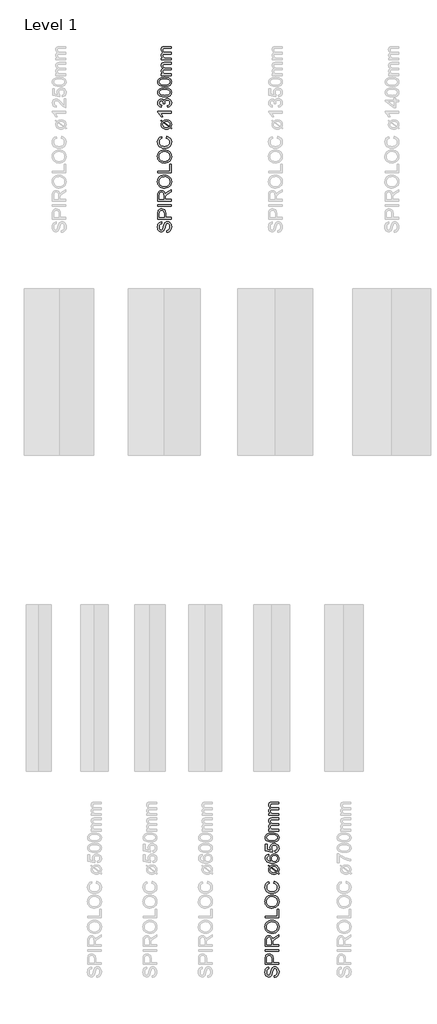
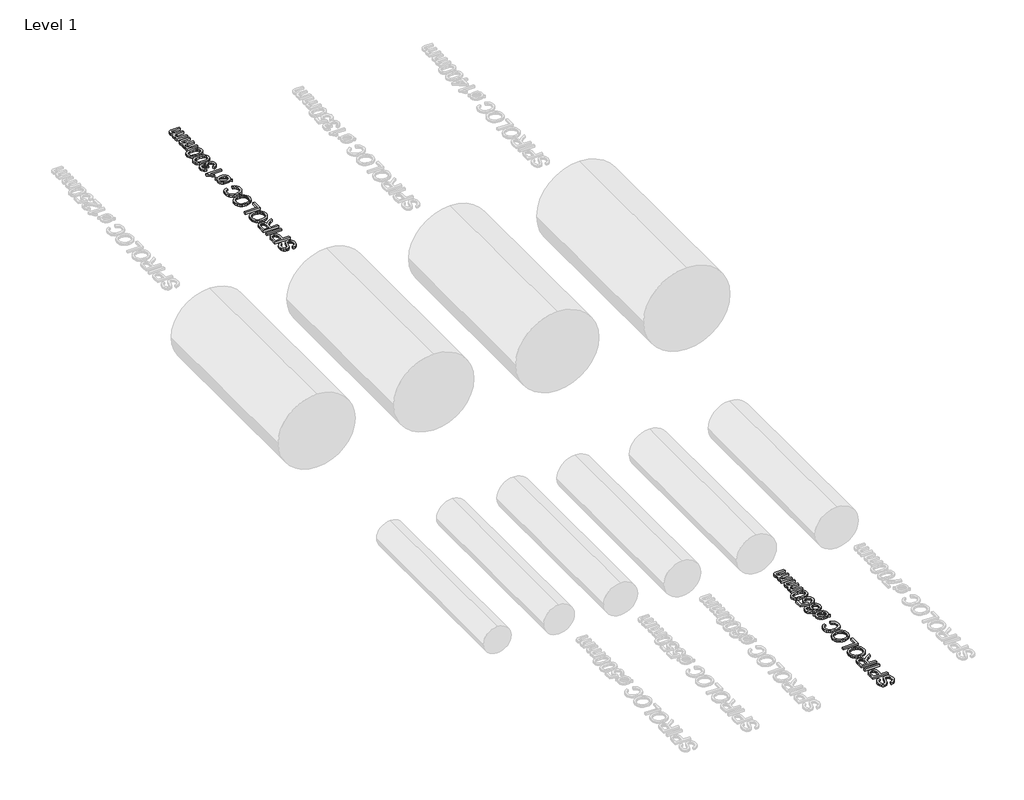
# One storey, part 16 of 19: 2 proxies.
"""IFC4 building model written with IfcOpenShell, lengths in millimetres."""

from ifc_helpers import new_model, si_unit, origin, origin_with_axes, place, context, project, spatial, polyline, outline, extrude, element, save

model = new_model("IFC4")

# Units and contexts
model_context = context("Model", 3, world=origin())
ifc_project = project(units=[si_unit("LENGTHUNIT", "METRE", prefix="MILLI")], contexts=[model_context])

# Site, building, storey
site = spatial("IfcSite", under=ifc_project)
building = spatial("IfcBuilding", under=site)
storey = spatial("IfcBuildingStorey", under=building, Name="Level 1", Elevation=0.0)

# Proxies
placement = place(None, origin())
element("IfcBuildingElementProxy", 1, Name="250mm", ObjectType="250mm", at=placement, inside=storey, context=model_context, shape_type="SweptSolid", body=[
    extrude(outline(polyline([(16525.8043383, -1501.7841772), (16525.8043383, -1471.0149464), (16542.8791581, -1467.4842974), (16556.6036172, -1461.099081), (16567.4960451, -1451.1381435), (16576.074771, -1436.880331), (16581.6411773, -1419.4524464), (16583.496646, -1399.9812926), (16577.8776557, -1367.8298502), (16571.2069826, -1355.6678911), (16562.4329441, -1347.0666291), (16552.3593263, -1341.950944), (16541.7899153, -1340.2457156), (16522.5891941, -1345.3538887), (16514.9945427, -1353.1363406), (16508.6168383, -1366.2673502), (16496.8680403, -1411.0690329), (16481.6937614, -1459.2961964), (16471.3421989, -1474.6132036), (16458.7971268, -1485.4680714), (16444.3289778, -1491.93592), (16428.2081845, -1494.0918695), (16410.1868504, -1491.4251026), (16393.3824633, -1483.4248022), (16379.1396749, -1470.3013046), (16368.8031364, -1452.2649464), (16362.5155763, -1430.615307), (16360.419723, -1406.6519656), (16362.6132326, -1380.6904272), (16369.1937614, -1357.974081), (16380.0260932, -1339.3142252), (16394.9750114, -1325.5221579), (16413.1090258, -1316.7931916), (16433.496646, -1313.3226387), (16433.496646, -1344.0918695), (16415.137271, -1349.7409079), (16401.8860691, -1361.5197541), (16393.8632326, -1379.9242012), (16391.1889537, -1405.4500426), (16393.8331845, -1431.5768454), (16401.7658768, -1449.5005233), (16413.4395547, -1459.8671099), (16427.3067422, -1463.3226387), (16439.1306605, -1460.8737204), (16448.6408768, -1453.5269656), (16457.1444826, -1436.1591772), (16465.8283768, -1403.286581), (16481.2730883, -1348.8394656), (16492.4359489, -1331.2989007), (16506.2129922, -1319.0618214), (16522.4539778, -1311.872819), (16541.0086653, -1309.4764849), (16559.9765138, -1312.2333959), (16577.8175595, -1320.5041291), (16593.1721268, -1333.9506435), (16604.6805403, -1352.2348983), (16611.8695427, -1374.2225786), (16614.2658768, -1398.7793695), (16611.6817422, -1428.9251026), (16603.9293383, -1453.7373022), (16590.9786172, -1473.5014248), (16572.7995307, -1488.5029272), (16550.654098, -1498.1333358), (16525.8043383, -1501.7841772)])), origin_with_axes(), (0.0, 0.0, 1.0), 30.0),
    extrude(outline(polyline([(16610.419723, -1263.3226387), (16364.2658768, -1263.3226387), (16364.2658768, -1172.0966772), (16366.6096268, -1135.317831), (16370.989134, -1118.919093), (16378.1180403, -1105.4199945), (16388.3193624, -1094.5501026), (16401.9161172, -1086.0389849), (16417.9542783, -1080.5401868), (16435.4798191, -1078.7072541), (16464.4912374, -1083.6576748), (16488.6649153, -1098.5089368), (16498.1826436, -1110.4023412), (16504.981021, -1126.2808719), (16509.0600475, -1146.1445287), (16510.419723, -1169.9933118), (16510.419723, -1232.5534079), (16610.419723, -1232.5534079), (16610.419723, -1263.3226387)]), holes=[polyline([(16479.6504922, -1232.5534079), (16479.6504922, -1168.1904272), (16476.825973, -1140.9067733), (16468.3524153, -1122.8779272), (16454.7556605, -1112.8268454), (16436.5615499, -1109.4764849), (16422.7394345, -1111.4521459), (16411.0807807, -1117.3791291), (16402.3067422, -1126.5212565), (16397.138473, -1138.1423502), (16395.0351076, -1168.911581), (16395.0351076, -1232.5534079), (16479.6504922, -1232.5534079)])]), origin_with_axes(), (0.0, 0.0, 1.0), 30.0),
    extrude(outline(polyline([(16610.419723, -1032.5534079), (16364.2658768, -1032.5534079), (16364.2658768, -1001.7841772), (16610.419723, -1001.7841772), (16610.419723, -1032.5534079)])), origin_with_axes(), (0.0, 0.0, 1.0), 30.0),
    extrude(outline(polyline([(16610.419723, -940.2457156), (16364.2658768, -940.2457156), (16364.2658768, -834.1760041), (16365.9260331, -805.6678911), (16370.9065018, -784.927206), (16380.1012133, -769.7679512), (16394.404098, -758.0041291), (16412.1399754, -750.4545498), (16431.6336653, -747.9380233), (16455.8824633, -752.107194), (16475.9846268, -764.614706), (16490.7232085, -785.8361603), (16498.8812614, -816.1471579), (16512.0423191, -798.6591772), (16543.7129922, -773.7192733), (16610.419723, -732.6736002), (16610.419723, -768.4308118), (16559.3980883, -800.4620618), (16525.6240499, -823.599081), (16509.668521, -839.8550906), (16503.809146, -854.4885041), (16502.7274153, -872.3370618), (16502.7274153, -909.4764849), (16610.419723, -909.4764849), (16610.419723, -940.2457156)]), holes=[polyline([(16471.9581845, -909.4764849), (16471.9581845, -840.6062926), (16467.6012133, -805.4800906), (16461.9371508, -793.9266051), (16453.6589057, -785.5281676), (16443.645384, -780.4124825), (16432.7754922, -778.7072541), (16417.7664778, -781.9599584), (16405.6721268, -791.7180714), (16397.6943624, -808.5074344), (16395.0351076, -832.8538887), (16395.0351076, -909.4764849), (16471.9581845, -909.4764849)])]), origin_with_axes(), (0.0, 0.0, 1.0), 30.0),
    extrude(outline(polyline([(16490.5879922, -705.630331), (16461.7155463, -703.5795498), (16436.1559008, -697.427206), (16413.9090559, -687.1732998), (16394.9750114, -672.817831), (16379.8570727, -655.220926), (16369.0585451, -635.2427108), (16362.5794285, -612.8831856), (16360.419723, -588.1423502), (16364.4762133, -555.8556916), (16376.6456845, -526.9043695), (16396.0717662, -502.8659079), (16421.8980883, -485.317831), (16452.8776557, -474.5906676), (16487.763473, -471.0149464), (16523.1150355, -474.778468), (16554.5302999, -486.0690329), (16580.4016941, -504.2631435), (16599.121646, -528.7373022), (16610.4798191, -557.4407276), (16614.2658768, -588.3226387), (16610.0816821, -621.1050906), (16597.529098, -650.2216772), (16577.7424393, -674.2000426), (16551.856021, -691.567831), (16522.0708648, -702.114706), (16490.5879922, -705.630331)]), holes=[polyline([(16490.888473, -674.8611002), (16511.2873612, -673.3230143), (16529.3950835, -668.7087565), (16545.21164, -661.0183268), (16558.7370307, -650.2517252), (16569.5693624, -637.1639097), (16577.3067422, -622.5098382), (16581.9491701, -606.2895107), (16583.496646, -588.5029272), (16581.934146, -570.4121069), (16577.246646, -554.0002228), (16569.434146, -539.2672751), (16558.496646, -526.2132637), (16544.6857987, -515.5255383), (16528.2532566, -507.8914488), (16509.1990198, -503.3109951), (16487.5230883, -501.7841772), (16460.2845066, -504.3983599), (16436.7418383, -512.2409079), (16417.4885331, -525.1089969), (16403.1180403, -542.7998022), (16394.1712254, -564.1414488), (16391.1889537, -587.9620618), (16396.9356484, -621.0600185), (16414.1757326, -649.2000426), (16427.5903209, -660.4267553), (16444.8473071, -668.4458358), (16465.9466911, -673.2572841), (16490.888473, -674.8611002)])]), origin_with_axes(), (0.0, 0.0, 1.0), 30.0),
    extrude(outline(polyline([(16610.419723, -428.7072541), (16364.2658768, -428.7072541), (16364.2658768, -397.9380233), (16579.6504922, -397.9380233), (16579.6504922, -274.8611002), (16610.419723, -274.8611002), (16610.419723, -428.7072541)])), origin_with_axes(), (0.0, 0.0, 1.0), 30.0),
    extrude(outline(polyline([(16490.5879922, -251.7841772), (16461.7155463, -249.7333959), (16436.1559008, -243.5810522), (16413.9090559, -233.3271459), (16394.9750114, -218.9716772), (16379.8570727, -201.3747721), (16369.0585451, -181.396557), (16362.5794285, -159.0370317), (16360.419723, -134.2961964), (16364.4762133, -102.0095377), (16376.6456845, -73.0582156), (16396.0717662, -49.0197541), (16421.8980883, -31.4716772), (16452.8776557, -20.7445137), (16487.763473, -17.1687926), (16523.1150355, -20.9323142), (16554.5302999, -32.2228791), (16580.4016941, -50.4169897), (16599.121646, -74.8911483), (16610.4798191, -103.5945738), (16614.2658768, -134.4764849), (16610.0816821, -167.2589368), (16597.529098, -196.3755233), (16577.7424393, -220.3538887), (16551.856021, -237.7216772), (16522.0708648, -248.2685522), (16490.5879922, -251.7841772)]), holes=[polyline([(16490.888473, -221.0149464), (16511.2873612, -219.4768605), (16529.3950835, -214.8626026), (16545.21164, -207.172173), (16558.7370307, -196.4055714), (16569.5693624, -183.3177559), (16577.3067422, -168.6636844), (16581.9491701, -152.4433569), (16583.496646, -134.6567733), (16581.934146, -116.565953), (16577.246646, -100.154069), (16569.434146, -85.4211213), (16558.496646, -72.3671099), (16544.6857987, -61.6793845), (16528.2532566, -54.045295), (16509.1990198, -49.4648412), (16487.5230883, -47.9380233), (16460.2845066, -50.552206), (16436.7418383, -58.3947541), (16417.4885331, -71.262843), (16403.1180403, -88.9536483), (16394.1712254, -110.295295), (16391.1889537, -134.1159079), (16396.9356484, -167.2138647), (16414.1757326, -195.3538887), (16427.5903209, -206.5806014), (16444.8473071, -214.599682), (16465.9466911, -219.4111303), (16490.888473, -221.0149464)])]), origin_with_axes(), (0.0, 0.0, 1.0), 30.0),
    extrude(outline(polyline([(16522.919723, 198.2158228), (16530.8524153, 228.9850536), (16566.7072831, 214.7873373), (16592.9016941, 192.5066882), (16608.9248311, 163.2398613), (16614.2658768, 128.0836113), (16610.2244105, 92.3940079), (16598.1000114, 64.0511594), (16578.3133528, 42.3263998), (16551.2851076, 26.4910632), (16519.5092662, 16.8230945), (16485.4798191, 13.6004382), (16449.5873912, 17.2437675), (16418.5927999, 28.1737555), (16393.4801196, 45.8194887), (16375.2334249, 69.6100536), (16364.1231484, 97.8251978), (16360.419723, 128.744669), (16365.2123912, 162.4811474), (16379.590396, 190.3732748), (16402.6673191, 211.549657), (16433.5567422, 225.1388998), (16440.888473, 194.369669), (16418.4500715, 183.7026017), (16403.0579441, 169.1292844), (16394.1562013, 150.4694286), (16391.1889537, 127.5427459), (16394.4792182, 101.1154623), (16404.3500114, 79.4057267), (16419.7646749, 62.9318685), (16439.6865499, 52.2122171), (16462.2075835, 46.330306), (16485.419723, 44.369669), (16513.8452037, 46.6908829), (16538.4245307, 53.6545248), (16558.2187013, 65.5235151), (16572.2887133, 82.5607748), (16580.6946629, 102.985955), (16583.496646, 125.0187074), (16579.6805403, 150.7023012), (16568.232223, 172.104044), (16549.2718864, 188.2623974), (16522.919723, 198.2158228)])), origin_with_axes(), (0.0, 0.0, 1.0), 30.0),
    extrude(outline(polyline([(16443.3524153, 490.2831305), (16419.0735691, 508.6725536), (16430.2514537, 523.3360151), (16455.6721268, 504.0451498), (16481.934146, 519.5499574), (16521.1168383, 525.1388998), (16544.6595066, 523.3923553), (16564.8668383, 518.1527219), (16581.7388335, 509.4199995), (16595.2754922, 497.1941882), (16609.5182807, 472.2092123), (16614.2658768, 442.5667844), (16610.2244105, 417.822193), (16598.1000114, 396.1124574), (16621.9581845, 378.0235151), (16611.0206845, 363.119669), (16588.2442422, 380.4273613), (16565.0471268, 366.4249574), (16545.2454441, 361.4219526), (16522.9798191, 359.7542844), (16499.093476, 361.2717123), (16478.7565619, 365.8239959), (16461.9690769, 373.4111353), (16448.731021, 384.0331305), (16431.536009, 410.4303661), (16425.8043383, 441.0643805), (16430.0411172, 466.0042844), (16443.3524153, 490.2831305)]), holes=[polyline([(16465.2274153, 473.6965921), (16458.7370307, 458.3119767), (16456.5735691, 442.2062074), (16460.7277158, 421.9988757), (16473.1901557, 405.3672651), (16493.8707446, 394.2344526), (16522.6793383, 390.5235151), (16545.0952037, 392.6719526), (16563.544723, 399.1172651), (16465.2274153, 473.6965921)]), polyline([(16480.6120307, 485.1749574), (16578.388473, 411.0163036), (16583.496646, 440.5836113), (16579.4326436, 461.9177459), (16567.2406364, 479.1653421), (16546.9356484, 490.5685873), (16518.5327037, 494.369669), (16497.3187614, 492.025919), (16480.6120307, 485.1749574)])]), origin_with_axes(), (0.0, 0.0, 1.0), 30.0),
    extrude(outline(polyline([(16429.6504922, 721.2927459), (16433.496646, 690.5235151), (16418.247247, 685.5655824), (16407.8355883, 678.8648613), (16398.2352278, 664.9075296), (16395.0351076, 648.0355344), (16396.8980883, 633.7326498), (16402.4870307, 620.2711113), (16414.2583648, 608.7101137), (16430.4617903, 599.2675055), (16453.3809609, 592.8898012), (16485.2995307, 590.5235151), (16470.8989898, 602.8657627), (16460.7502518, 617.6569286), (16454.7331244, 634.0706906), (16452.7274153, 651.2807267), (16458.2111893, 679.7062074), (16474.6625114, 703.5643805), (16499.7977278, 719.7452699), (16531.3331845, 725.1388998), (16553.3659369, 722.5998373), (16573.7911172, 714.9826498), (16591.1138335, 702.9183469), (16603.8391941, 687.0379382), (16611.6592061, 668.0625776), (16614.2658768, 646.713419), (16612.5381124, 628.370946), (16607.3548191, 611.8050656), (16598.715997, 597.0157778), (16586.621646, 584.0030824), (16570.5609489, 573.3942333), (16550.0230883, 565.8164839), (16525.0080643, 561.2698343), (16495.5158768, 559.7542844), (16462.4517242, 561.4369767), (16434.2328239, 566.4850536), (16410.8591761, 574.8985151), (16392.3307807, 586.6773613), (16380.0523852, 599.444038), (16371.2821028, 614.2464719), (16366.0199333, 631.084663), (16364.2658768, 649.9586113), (16368.6078239, 676.9568084), (16381.6336653, 698.5763998), (16402.3217662, 713.7206305), (16429.6504922, 721.2927459)]), holes=[polyline([(16530.8524153, 590.5235151), (16544.4867302, 592.3038637), (16557.5050595, 597.6449094), (16568.6979682, 605.9381786), (16576.856021, 616.5751978), (16581.8364898, 629.4132387), (16583.496646, 644.3095728), (16580.0561412, 664.6145608), (16569.7346268, 680.5776017), (16553.5086653, 690.9216522), (16532.3548191, 694.369669), (16512.0498311, 690.9667243), (16496.5675595, 680.7578901), (16486.7643744, 664.5244166), (16483.496646, 643.0475536), (16486.7643744, 622.7726137), (16496.5675595, 605.8179863), (16511.6742302, 594.3471329), (16530.8524153, 590.5235151)])]), origin_with_axes(), (0.0, 0.0, 1.0), 30.0),
    extrude(outline(polyline([(16545.0351076, 752.0619767), (16541.1889537, 782.8312074), (16559.661009, 788.4802459), (16572.8896749, 798.3360151), (16580.8449033, 812.353443), (16583.496646, 830.4874574), (16579.8082446, 852.5427459), (16568.7430403, 869.0691882), (16551.5780763, 879.3907026), (16529.590396, 882.8312074), (16508.887271, 879.6085512), (16493.0519345, 869.9405824), (16483.0008528, 853.752181), (16479.6504922, 830.9682267), (16484.9990499, 803.9550055), (16498.8812614, 786.6773613), (16495.0351076, 755.9081305), (16368.1120307, 782.8312074), (16368.1120307, 902.0619767), (16398.8812614, 902.0619767), (16398.8812614, 807.7110151), (16466.669723, 794.5499574), (16453.3283768, 816.5301257), (16448.8812614, 839.5619767), (16454.3950835, 868.3104743), (16470.9365499, 892.1761594), (16496.1468864, 908.2443685), (16527.6673191, 913.6004382), (16558.4365499, 908.7777219), (16584.7586653, 894.3095728), (16597.6680703, 881.5241161), (16606.8890739, 866.6052459), (16612.4216761, 849.5529623), (16614.2658768, 830.3672651), (16609.5257927, 800.1464118), (16595.3055403, 776.0703901), (16573.2577638, 759.5664839), (16545.0351076, 752.0619767)])), origin_with_axes(), (0.0, 0.0, 1.0), 30.0),
    extrude(outline(polyline([(16489.325973, 940.5235151), (16449.9254321, 942.7846329), (16418.5026557, 949.5679863), (16394.5768744, 960.8059671), (16377.6673191, 976.4309671), (16367.6162374, 996.5556666), (16364.2658768, 1021.2927459), (16366.2490499, 1040.2530824), (16372.1985691, 1057.2302459), (16381.8815619, 1071.4279623), (16395.0651557, 1082.0499574), (16431.4834249, 1096.4730344), (16456.6862494, 1100.6647411), (16489.325973, 1102.0619767), (16528.5011533, 1099.8233949), (16559.8488095, 1093.1076498), (16583.7971268, 1081.9372772), (16600.7742903, 1066.3348132), (16610.8929802, 1046.1650416), (16614.2658768, 1021.2927459), (16612.8010331, 1004.3456305), (16608.4065018, 989.3215921), (16601.0822831, 976.2206305), (16590.8283768, 965.0427459), (16572.2924694, 954.3155824), (16549.1967662, 946.6533228), (16521.5412674, 942.0559671), (16489.325973, 940.5235151)]), holes=[polyline([(16489.2658768, 971.2927459), (16537.6658167, 974.8985151), (16554.2204291, 979.4057267), (16565.6781364, 985.7158228), (16579.0420186, 1001.8215921), (16583.496646, 1021.2927459), (16579.0269946, 1040.7638998), (16565.6180403, 1056.869669), (16554.1415529, 1063.1797651), (16537.5906965, 1067.6869767), (16489.2658768, 1071.2927459), (16441.9551797, 1067.807169), (16425.4550295, 1063.4501978), (16413.7250114, 1057.3504382), (16399.7075835, 1041.2747171), (16395.0351076, 1020.932169), (16399.1516941, 1001.6713517), (16411.5014537, 986.1965921), (16424.2718864, 979.6761594), (16441.4894345, 975.0187074), (16489.2658768, 971.2927459)])]), origin_with_axes(), (0.0, 0.0, 1.0), 30.0),
    extrude(outline(polyline([(16610.419723, 1136.6773613), (16429.6504922, 1136.6773613), (16429.6504922, 1167.4465921), (16459.3980883, 1167.4465921), (16445.7337254, 1176.7013998), (16435.029098, 1188.6004382), (16428.1105283, 1202.7380584), (16425.8043383, 1218.7086113), (16428.1556004, 1235.8209911), (16435.2093864, 1249.5379382), (16446.4999513, 1259.7843324), (16461.5615499, 1266.4850536), (16445.9177698, 1277.7004983), (16434.7436412, 1290.4934671), (16428.0391641, 1304.8639599), (16425.8043383, 1320.8119767), (16429.5227879, 1343.9414839), (16440.6781364, 1361.0463517), (16459.5708648, 1371.6157627), (16486.5014537, 1375.1388998), (16610.419723, 1375.1388998), (16610.419723, 1344.369669), (16499.7226076, 1344.369669), (16474.0315018, 1341.5151017), (16461.3812614, 1331.1785632), (16456.5735691, 1313.6004382), (16459.653497, 1296.9312675), (16468.8932807, 1283.3420248), (16484.9239297, 1274.3050656), (16508.3764537, 1271.2927459), (16610.419723, 1271.2927459), (16610.419723, 1240.5235151), (16496.2971268, 1240.5235151), (16478.8992903, 1238.7431666), (16466.4894345, 1233.4021209), (16459.0525355, 1224.0045849), (16456.5735691, 1210.0547651), (16458.2262133, 1198.2007988), (16463.184146, 1187.2783228), (16471.3271749, 1178.2638998), (16482.5351076, 1172.1340921), (16519.2538576, 1167.4465921), (16610.419723, 1167.4465921), (16610.419723, 1136.6773613)])), origin_with_axes(), (0.0, 0.0, 1.0), 30.0),
    extrude(outline(polyline([(16610.419723, 1421.2927459), (16429.6504922, 1421.2927459), (16429.6504922, 1452.0619767), (16459.3980883, 1452.0619767), (16445.7337254, 1461.3167844), (16435.029098, 1473.2158228), (16428.1105283, 1487.353443), (16425.8043383, 1503.3239959), (16428.1556004, 1520.4363757), (16435.2093864, 1534.1533228), (16446.4999513, 1544.3997171), (16461.5615499, 1551.1004382), (16445.9177698, 1562.3158829), (16434.7436412, 1575.1088517), (16428.0391641, 1589.4793445), (16425.8043383, 1605.4273613), (16429.5227879, 1628.5568685), (16440.6781364, 1645.6617363), (16459.5708648, 1656.2311474), (16486.5014537, 1659.7542844), (16610.419723, 1659.7542844), (16610.419723, 1628.9850536), (16499.7226076, 1628.9850536), (16474.0315018, 1626.1304863), (16461.3812614, 1615.7939478), (16456.5735691, 1598.2158228), (16459.653497, 1581.5466522), (16468.8932807, 1567.9574094), (16484.9239297, 1558.9204502), (16508.3764537, 1555.9081305), (16610.419723, 1555.9081305), (16610.419723, 1525.1388998), (16496.2971268, 1525.1388998), (16478.8992903, 1523.3585512), (16466.4894345, 1518.0175055), (16459.0525355, 1508.6199695), (16456.5735691, 1494.6701498), (16458.2262133, 1482.8161834), (16463.184146, 1471.8937074), (16471.3271749, 1462.8792844), (16482.5351076, 1456.7494767), (16519.2538576, 1452.0619767), (16610.419723, 1452.0619767), (16610.419723, 1421.2927459)])), origin_with_axes(), (0.0, 0.0, 1.0), 30.0),
])
element("IfcBuildingElementProxy", 2, Name="250mm", ObjectType="250mm", at=placement, inside=storey, context=model_context, shape_type="SweptSolid", body=[
    extrude(outline(polyline([(14588.3043383, 11932.8312074), (14588.3043383, 11963.6004382), (14605.3791581, 11967.1310873), (14619.1036172, 11973.5163036), (14629.9960451, 11983.4772411), (14638.574771, 11997.7350536), (14644.1411773, 12015.1629382), (14645.996646, 12034.6340921), (14640.3776557, 12066.7855344), (14633.7069826, 12078.9474935), (14624.9329441, 12087.5487555), (14614.8593263, 12092.6644406), (14604.2899153, 12094.369669), (14585.0891941, 12089.2614959), (14577.4945427, 12081.479044), (14571.1168383, 12068.3480344), (14559.3680403, 12023.5463517), (14544.1937614, 11975.3191882), (14533.8421989, 11960.002181), (14521.2971268, 11949.1473132), (14506.8289778, 11942.6794647), (14490.7081845, 11940.5235151), (14472.6868504, 11943.190282), (14455.8824633, 11951.1905824), (14441.6396749, 11964.31408), (14431.3031364, 11982.3504382), (14425.0155763, 12004.0000776), (14422.919723, 12027.963419), (14425.1132326, 12053.9249574), (14431.6937614, 12076.6413036), (14442.5260932, 12095.3011594), (14457.4750114, 12109.0932267), (14475.6090258, 12117.822193), (14495.996646, 12121.2927459), (14495.996646, 12090.5235151), (14477.637271, 12084.8744767), (14464.3860691, 12073.0956305), (14456.3632326, 12054.6911834), (14453.6889537, 12029.1653421), (14456.3331845, 12003.0385392), (14464.2658768, 11985.1148613), (14475.9395547, 11974.7482748), (14489.8067422, 11971.2927459), (14501.6306605, 11973.7416642), (14511.1408768, 11981.088419), (14519.6444826, 11998.4562074), (14528.3283768, 12031.3288036), (14543.7730883, 12085.775919), (14554.9359489, 12103.3164839), (14568.7129922, 12115.5535632), (14584.9539778, 12122.7425656), (14603.5086653, 12125.1388998), (14622.4765138, 12122.3819887), (14640.3175595, 12114.1112555), (14655.6721268, 12100.6647411), (14667.1805403, 12082.3804863), (14674.3695427, 12060.392806), (14676.7658768, 12035.8360151), (14674.1817422, 12005.690282), (14666.4293383, 11980.8780824), (14653.4786172, 11961.1139599), (14635.2995307, 11946.1124574), (14613.154098, 11936.4820488), (14588.3043383, 11932.8312074)])), origin_with_axes(), (0.0, 0.0, 1.0), 30.0),
    extrude(outline(polyline([(14672.919723, 12171.2927459), (14426.7658768, 12171.2927459), (14426.7658768, 12262.5187074), (14429.1096268, 12299.2975536), (14433.489134, 12315.6962916), (14440.6180403, 12329.1953901), (14450.8193624, 12340.065282), (14464.4161172, 12348.5763998), (14480.4542783, 12354.0751978), (14497.9798191, 12355.9081305), (14526.9912374, 12350.9577099), (14551.1649153, 12336.1064478), (14560.6826436, 12324.2130434), (14567.481021, 12308.3345127), (14571.5600475, 12288.4708559), (14572.919723, 12264.6220728), (14572.919723, 12202.0619767), (14672.919723, 12202.0619767), (14672.919723, 12171.2927459)]), holes=[polyline([(14542.1504922, 12202.0619767), (14542.1504922, 12266.4249574), (14539.325973, 12293.7086113), (14530.8524153, 12311.7374574), (14517.2556605, 12321.7885392), (14499.0615499, 12325.1388998), (14485.2394345, 12323.1632387), (14473.5807807, 12317.2362555), (14464.8067422, 12308.0941281), (14459.638473, 12296.4730344), (14457.5351076, 12265.7038036), (14457.5351076, 12202.0619767), (14542.1504922, 12202.0619767)])]), origin_with_axes(), (0.0, 0.0, 1.0), 30.0),
    extrude(outline(polyline([(14672.919723, 12402.0619767), (14426.7658768, 12402.0619767), (14426.7658768, 12432.8312074), (14672.919723, 12432.8312074), (14672.919723, 12402.0619767)])), origin_with_axes(), (0.0, 0.0, 1.0), 30.0),
    extrude(outline(polyline([(14672.919723, 12494.369669), (14426.7658768, 12494.369669), (14426.7658768, 12600.4393805), (14428.4260331, 12628.9474935), (14433.4065018, 12649.6881786), (14442.6012133, 12664.8474334), (14456.904098, 12676.6112555), (14474.6399754, 12684.1608349), (14494.1336653, 12686.6773613), (14518.3824633, 12682.5081906), (14538.4846268, 12670.0006786), (14553.2232085, 12648.7792243), (14561.3812614, 12618.4682267), (14574.5423191, 12635.9562074), (14606.2129922, 12660.8961113), (14672.919723, 12701.9417844), (14672.919723, 12666.1845728), (14621.8980883, 12634.1533228), (14588.1240499, 12611.0163036), (14572.168521, 12594.760294), (14566.309146, 12580.1268805), (14565.2274153, 12562.2783228), (14565.2274153, 12525.1388998), (14672.919723, 12525.1388998), (14672.919723, 12494.369669)]), holes=[polyline([(14534.4581845, 12525.1388998), (14534.4581845, 12594.0090921), (14530.1012133, 12629.135294), (14524.4371508, 12640.6887796), (14516.1589057, 12649.0872171), (14506.145384, 12654.2029022), (14495.2754922, 12655.9081305), (14480.2664778, 12652.6554262), (14468.1721268, 12642.8973132), (14460.1943624, 12626.1079502), (14457.5351076, 12601.7614959), (14457.5351076, 12525.1388998), (14534.4581845, 12525.1388998)])]), origin_with_axes(), (0.0, 0.0, 1.0), 30.0),
    extrude(outline(polyline([(14553.0879922, 12728.9850536), (14524.2155463, 12731.0358349), (14498.6559008, 12737.1881786), (14476.4090559, 12747.4420849), (14457.4750114, 12761.7975536), (14442.3570727, 12779.3944587), (14431.5585451, 12799.3726738), (14425.0794285, 12821.732199), (14422.919723, 12846.4730344), (14426.9762133, 12878.759693), (14439.1456845, 12907.7110151), (14458.5717662, 12931.7494767), (14484.3980883, 12949.2975536), (14515.3776557, 12960.0247171), (14550.263473, 12963.6004382), (14585.6150355, 12959.8369166), (14617.0302999, 12948.5463517), (14642.9016941, 12930.3522411), (14661.621646, 12905.8780824), (14672.9798191, 12877.174657), (14676.7658768, 12846.2927459), (14672.5816821, 12813.510294), (14660.029098, 12784.3937074), (14640.2424393, 12760.4153421), (14614.356021, 12743.0475536), (14584.5708648, 12732.5006786), (14553.0879922, 12728.9850536)]), holes=[polyline([(14553.388473, 12759.7542844), (14573.7873612, 12761.2923703), (14591.8950835, 12765.9066281), (14607.71164, 12773.5970578), (14621.2370307, 12784.3636594), (14632.0693624, 12797.4514749), (14639.8067422, 12812.1055464), (14644.4491701, 12828.3258739), (14645.996646, 12846.1124574), (14644.434146, 12864.2032778), (14639.746646, 12880.6151618), (14631.934146, 12895.3481095), (14620.996646, 12908.4021209), (14607.1857987, 12919.0898463), (14590.7532566, 12926.7239358), (14571.6990198, 12931.3043895), (14550.0230883, 12932.8312074), (14522.7845066, 12930.2170248), (14499.2418383, 12922.3744767), (14479.9885331, 12909.5063877), (14465.6180403, 12891.8155824), (14456.6712254, 12870.4739358), (14453.6889537, 12846.6533228), (14459.4356484, 12813.5553661), (14476.6757326, 12785.4153421), (14490.0903209, 12774.1886293), (14507.3473071, 12766.1695488), (14528.4466911, 12761.3581005), (14553.388473, 12759.7542844)])]), origin_with_axes(), (0.0, 0.0, 1.0), 30.0),
    extrude(outline(polyline([(14672.919723, 13005.9081305), (14426.7658768, 13005.9081305), (14426.7658768, 13036.6773613), (14642.1504922, 13036.6773613), (14642.1504922, 13159.7542844), (14672.919723, 13159.7542844), (14672.919723, 13005.9081305)])), origin_with_axes(), (0.0, 0.0, 1.0), 30.0),
    extrude(outline(polyline([(14553.0879922, 13182.8312074), (14524.2155463, 13184.8819887), (14498.6559008, 13191.0343324), (14476.4090559, 13201.2882387), (14457.4750114, 13215.6437074), (14442.3570727, 13233.2406125), (14431.5585451, 13253.2188276), (14425.0794285, 13275.5783529), (14422.919723, 13300.3191882), (14426.9762133, 13332.6058469), (14439.1456845, 13361.557169), (14458.5717662, 13385.5956305), (14484.3980883, 13403.1437074), (14515.3776557, 13413.8708709), (14550.263473, 13417.4465921), (14585.6150355, 13413.6830704), (14617.0302999, 13402.3925055), (14642.9016941, 13384.1983949), (14661.621646, 13359.7242363), (14672.9798191, 13331.0208108), (14676.7658768, 13300.1388998), (14672.5816821, 13267.3564478), (14660.029098, 13238.2398613), (14640.2424393, 13214.2614959), (14614.356021, 13196.8937074), (14584.5708648, 13186.3468324), (14553.0879922, 13182.8312074)]), holes=[polyline([(14553.388473, 13213.6004382), (14573.7873612, 13215.1385242), (14591.8950835, 13219.752782), (14607.71164, 13227.4432117), (14621.2370307, 13238.2098132), (14632.0693624, 13251.2976287), (14639.8067422, 13265.9517002), (14644.4491701, 13282.1720278), (14645.996646, 13299.9586113), (14644.434146, 13318.0494316), (14639.746646, 13334.4613156), (14631.934146, 13349.1942633), (14620.996646, 13362.2482748), (14607.1857987, 13372.9360001), (14590.7532566, 13380.5700897), (14571.6990198, 13385.1505434), (14550.0230883, 13386.6773613), (14522.7845066, 13384.0631786), (14499.2418383, 13376.2206305), (14479.9885331, 13363.3525416), (14465.6180403, 13345.6617363), (14456.6712254, 13324.3200897), (14453.6889537, 13300.4994767), (14459.4356484, 13267.4015199), (14476.6757326, 13239.2614959), (14490.0903209, 13228.0347832), (14507.3473071, 13220.0157026), (14528.4466911, 13215.2042543), (14553.388473, 13213.6004382)])]), origin_with_axes(), (0.0, 0.0, 1.0), 30.0),
    extrude(outline(polyline([(14585.419723, 13632.8312074), (14593.3524153, 13663.6004382), (14629.2072831, 13649.4027219), (14655.4016941, 13627.1220728), (14671.4248311, 13597.8552459), (14676.7658768, 13562.6989959), (14672.7244105, 13527.0093925), (14660.6000114, 13498.666544), (14640.8133528, 13476.9417844), (14613.7851076, 13461.1064478), (14582.0092662, 13451.4384791), (14547.9798191, 13448.2158228), (14512.0873912, 13451.8591522), (14481.0927999, 13462.7891401), (14455.9801196, 13480.4348733), (14437.7334249, 13504.2254382), (14426.6231484, 13532.4405824), (14422.919723, 13563.3600536), (14427.7123912, 13597.096532), (14442.090396, 13624.9886594), (14465.1673191, 13646.1650416), (14496.0567422, 13659.7542844), (14503.388473, 13628.9850536), (14480.9500715, 13618.3179863), (14465.5579441, 13603.744669), (14456.6562013, 13585.0848132), (14453.6889537, 13562.1581305), (14456.9792182, 13535.7308469), (14466.8500114, 13514.0211113), (14482.2646749, 13497.5472531), (14502.1865499, 13486.8276017), (14524.7075835, 13480.9456906), (14547.919723, 13478.9850536), (14576.3452037, 13481.3062675), (14600.9245307, 13488.2699094), (14620.7187013, 13500.1388998), (14634.7887133, 13517.1761594), (14643.1946629, 13537.6013397), (14645.996646, 13559.6340921), (14642.1805403, 13585.3176858), (14630.732223, 13606.7194286), (14611.7718864, 13622.877782), (14585.419723, 13632.8312074)])), origin_with_axes(), (0.0, 0.0, 1.0), 30.0),
    extrude(outline(polyline([(14505.8524153, 13924.8985151), (14481.5735691, 13943.2879382), (14492.7514537, 13957.9513998), (14518.1721268, 13938.6605344), (14544.434146, 13954.1653421), (14583.6168383, 13959.7542844), (14607.1595066, 13958.0077399), (14627.3668383, 13952.7681065), (14644.2388335, 13944.0353841), (14657.7754922, 13931.8095728), (14672.0182807, 13906.8245969), (14676.7658768, 13877.182169), (14672.7244105, 13852.4375776), (14660.6000114, 13830.7278421), (14684.4581845, 13812.6388998), (14673.5206845, 13797.7350536), (14650.7442422, 13815.0427459), (14627.5471268, 13801.0403421), (14607.7454441, 13796.0373373), (14585.4798191, 13794.369669), (14561.593476, 13795.8870969), (14541.2565619, 13800.4393805), (14524.4690769, 13808.0265199), (14511.231021, 13818.6485151), (14494.036009, 13845.0457507), (14488.3043383, 13875.6797651), (14492.5411172, 13900.619669), (14505.8524153, 13924.8985151)]), holes=[polyline([(14527.7274153, 13908.3119767), (14521.2370307, 13892.9273613), (14519.0735691, 13876.8215921), (14523.2277158, 13856.6142603), (14535.6901557, 13839.9826498), (14556.3707446, 13828.8498373), (14585.1793383, 13825.1388998), (14607.5952037, 13827.2873373), (14626.044723, 13833.7326498), (14527.7274153, 13908.3119767)]), polyline([(14543.1120307, 13919.7903421), (14640.888473, 13845.6316882), (14645.996646, 13875.1989959), (14641.9326436, 13896.5331305), (14629.7406364, 13913.7807267), (14609.4356484, 13925.1839719), (14581.0327037, 13928.9850536), (14559.8187614, 13926.6413036), (14543.1120307, 13919.7903421)])]), origin_with_axes(), (0.0, 0.0, 1.0), 30.0),
    extrude(outline(polyline([(14672.919723, 14113.6004382), (14672.919723, 14082.8312074), (14481.0927999, 14082.8312074), (14501.856021, 14053.6845728), (14517.3908768, 14021.2927459), (14488.3043383, 14021.2927459), (14475.1583047, 14045.4589118), (14459.5182807, 14066.3949094), (14442.8866701, 14082.8988156), (14426.7658768, 14093.7687074), (14426.7658768, 14113.6004382), (14672.919723, 14113.6004382)])), origin_with_axes(), (0.0, 0.0, 1.0), 30.0),
    extrude(outline(polyline([(14607.5351076, 14186.6773613), (14603.6889537, 14217.4465921), (14623.0248912, 14224.3351137), (14636.0807807, 14234.4237555), (14643.5176797, 14248.2083108), (14645.996646, 14266.1845728), (14642.5861893, 14287.2783228), (14632.3548191, 14303.5643805), (14617.090396, 14313.9760392), (14598.5807807, 14317.4465921), (14581.0101677, 14314.0060873), (14566.7598672, 14303.6845728), (14557.317259, 14288.0595728), (14554.169723, 14268.7086113), (14557.5351076, 14247.1340921), (14526.7658768, 14250.5595728), (14527.1264537, 14255.4874574), (14524.9179201, 14273.9219526), (14518.2923191, 14290.4033228), (14507.0843864, 14302.0319286), (14491.1288576, 14305.9081305), (14477.8400956, 14303.0986353), (14467.060348, 14294.6701498), (14459.9164177, 14281.8095728), (14457.5351076, 14265.7038036), (14459.9389537, 14249.5679863), (14467.1504922, 14236.3768805), (14479.169723, 14226.7464719), (14495.996646, 14221.2927459), (14492.1504922, 14190.5235151), (14464.5212855, 14199.5830103), (14443.8932807, 14215.7038036), (14431.0477278, 14237.7590921), (14426.7658768, 14264.6220728), (14428.8767542, 14283.9655224), (14435.2093864, 14301.7314478), (14445.200372, 14316.7104142), (14458.2863095, 14327.6929863), (14473.3629321, 14334.4312675), (14489.325973, 14336.6773613), (14504.199771, 14334.5439478), (14517.6913576, 14328.1437074), (14529.184747, 14317.5667844), (14538.0639537, 14302.9033228), (14545.8464057, 14322.1641401), (14559.0976076, 14336.4369767), (14577.0964057, 14345.2711113), (14599.121646, 14348.2158228), (14629.1096268, 14342.3263998), (14654.169723, 14324.6581305), (14664.0555403, 14312.1017904), (14671.1168383, 14297.9904623), (14676.7658768, 14265.1028421), (14671.9431605, 14235.3552459), (14657.4750114, 14211.1364959), (14635.3446028, 14194.2945488), (14607.5351076, 14186.6773613)])), origin_with_axes(), (0.0, 0.0, 1.0), 30.0),
    extrude(outline(polyline([(14551.825973, 14375.1388998), (14512.4254321, 14377.4000175), (14481.0026557, 14384.1833709), (14457.0768744, 14395.4213517), (14440.1673191, 14411.0463517), (14430.1162374, 14431.1710512), (14426.7658768, 14455.9081305), (14428.7490499, 14474.8684671), (14434.6985691, 14491.8456305), (14444.3815619, 14506.0433469), (14457.5651557, 14516.6653421), (14493.9834249, 14531.088419), (14519.1862494, 14535.2801257), (14551.825973, 14536.6773613), (14591.0011533, 14534.4387796), (14622.3488095, 14527.7230344), (14646.2971268, 14516.5526618), (14663.2742903, 14500.9501978), (14673.3929802, 14480.7804262), (14676.7658768, 14455.9081305), (14675.3010331, 14438.9610151), (14670.9065018, 14423.9369767), (14663.5822831, 14410.8360151), (14653.3283768, 14399.6581305), (14634.7924694, 14388.9309671), (14611.6967662, 14381.2687074), (14584.0412674, 14376.6713517), (14551.825973, 14375.1388998)]), holes=[polyline([(14551.7658768, 14405.9081305), (14600.1658167, 14409.5138998), (14616.7204291, 14414.0211113), (14628.1781364, 14420.3312074), (14641.5420186, 14436.4369767), (14645.996646, 14455.9081305), (14641.5269946, 14475.3792844), (14628.1180403, 14491.4850536), (14616.6415529, 14497.7951498), (14600.0906965, 14502.3023613), (14551.7658768, 14505.9081305), (14504.4551797, 14502.4225536), (14487.9550295, 14498.0655824), (14476.2250114, 14491.9658228), (14462.2075835, 14475.8901017), (14457.5351076, 14455.5475536), (14461.6516941, 14436.2867363), (14474.0014537, 14420.8119767), (14486.7718864, 14414.291544), (14503.9894345, 14409.6340921), (14551.7658768, 14405.9081305)])]), origin_with_axes(), (0.0, 0.0, 1.0), 30.0),
    extrude(outline(polyline([(14551.825973, 14563.6004382), (14512.4254321, 14565.861556), (14481.0026557, 14572.6449094), (14457.0768744, 14583.8828901), (14440.1673191, 14599.5078901), (14430.1162374, 14619.6325897), (14426.7658768, 14644.369669), (14428.7490499, 14663.3300055), (14434.6985691, 14680.307169), (14444.3815619, 14694.5048853), (14457.5651557, 14705.1268805), (14493.9834249, 14719.5499574), (14519.1862494, 14723.7416642), (14551.825973, 14725.1388998), (14591.0011533, 14722.900318), (14622.3488095, 14716.1845728), (14646.2971268, 14705.0142002), (14663.2742903, 14689.4117363), (14673.3929802, 14669.2419647), (14676.7658768, 14644.369669), (14675.3010331, 14627.4225536), (14670.9065018, 14612.3985151), (14663.5822831, 14599.2975536), (14653.3283768, 14588.119669), (14634.7924694, 14577.3925055), (14611.6967662, 14569.7302459), (14584.0412674, 14565.1328901), (14551.825973, 14563.6004382)]), holes=[polyline([(14551.7658768, 14594.369669), (14600.1658167, 14597.9754382), (14616.7204291, 14602.4826498), (14628.1781364, 14608.7927459), (14641.5420186, 14624.8985151), (14645.996646, 14644.369669), (14641.5269946, 14663.8408228), (14628.1180403, 14679.9465921), (14616.6415529, 14686.2566882), (14600.0906965, 14690.7638998), (14551.7658768, 14694.369669), (14504.4551797, 14690.8840921), (14487.9550295, 14686.5271209), (14476.2250114, 14680.4273613), (14462.2075835, 14664.3516401), (14457.5351076, 14644.0090921), (14461.6516941, 14624.7482748), (14474.0014537, 14609.2735151), (14486.7718864, 14602.7530824), (14503.9894345, 14598.0956305), (14551.7658768, 14594.369669)])]), origin_with_axes(), (0.0, 0.0, 1.0), 30.0),
    extrude(outline(polyline([(14672.919723, 14759.7542844), (14492.1504922, 14759.7542844), (14492.1504922, 14790.5235151), (14521.8980883, 14790.5235151), (14508.2337254, 14799.7783228), (14497.529098, 14811.6773613), (14490.6105283, 14825.8149815), (14488.3043383, 14841.7855344), (14490.6556004, 14858.8979142), (14497.7093864, 14872.6148613), (14508.9999513, 14882.8612555), (14524.0615499, 14889.5619767), (14508.4177698, 14900.7774214), (14497.2436412, 14913.5703901), (14490.5391641, 14927.9408829), (14488.3043383, 14943.8888998), (14492.0227879, 14967.018407), (14503.1781364, 14984.1232748), (14522.0708648, 14994.6926858), (14549.0014537, 14998.2158228), (14672.919723, 14998.2158228), (14672.919723, 14967.4465921), (14562.2226076, 14967.4465921), (14536.5315018, 14964.5920248), (14523.8812614, 14954.2554863), (14519.0735691, 14936.6773613), (14522.153497, 14920.0081906), (14531.3932807, 14906.4189478), (14547.4239297, 14897.3819887), (14570.8764537, 14894.369669), (14672.919723, 14894.369669), (14672.919723, 14863.6004382), (14558.7971268, 14863.6004382), (14541.3992903, 14861.8200897), (14528.9894345, 14856.479044), (14521.5525355, 14847.0815079), (14519.0735691, 14833.1316882), (14520.7262133, 14821.2777219), (14525.684146, 14810.3552459), (14533.8271749, 14801.3408228), (14545.0351076, 14795.2110151), (14581.7538576, 14790.5235151), (14672.919723, 14790.5235151), (14672.919723, 14759.7542844)])), origin_with_axes(), (0.0, 0.0, 1.0), 30.0),
    extrude(outline(polyline([(14672.919723, 15044.369669), (14492.1504922, 15044.369669), (14492.1504922, 15075.1388998), (14521.8980883, 15075.1388998), (14508.2337254, 15084.3937074), (14497.529098, 15096.2927459), (14490.6105283, 15110.4303661), (14488.3043383, 15126.400919), (14490.6556004, 15143.5132988), (14497.7093864, 15157.2302459), (14508.9999513, 15167.4766401), (14524.0615499, 15174.1773613), (14508.4177698, 15185.392806), (14497.2436412, 15198.1857748), (14490.5391641, 15212.5562675), (14488.3043383, 15228.5042844), (14492.0227879, 15251.6337916), (14503.1781364, 15268.7386594), (14522.0708648, 15279.3080704), (14549.0014537, 15282.8312074), (14672.919723, 15282.8312074), (14672.919723, 15252.0619767), (14562.2226076, 15252.0619767), (14536.5315018, 15249.2074094), (14523.8812614, 15238.8708709), (14519.0735691, 15221.2927459), (14522.153497, 15204.6235752), (14531.3932807, 15191.0343324), (14547.4239297, 15181.9973733), (14570.8764537, 15178.9850536), (14672.919723, 15178.9850536), (14672.919723, 15148.2158228), (14558.7971268, 15148.2158228), (14541.3992903, 15146.4354743), (14528.9894345, 15141.0944286), (14521.5525355, 15131.6968925), (14519.0735691, 15117.7470728), (14520.7262133, 15105.8931065), (14525.684146, 15094.9706305), (14533.8271749, 15085.9562074), (14545.0351076, 15079.8263998), (14581.7538576, 15075.1388998), (14672.919723, 15075.1388998), (14672.919723, 15044.369669)])), origin_with_axes(), (0.0, 0.0, 1.0), 30.0),
])

save(model, "model.ifc")
